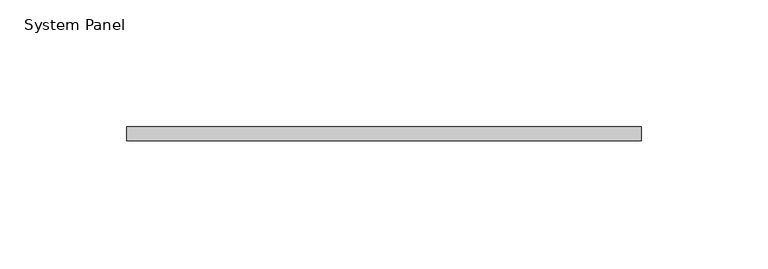
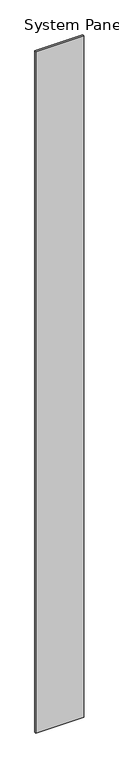
"""IFC4 building model written with IfcOpenShell, lengths in millimetres: plate geometry, System Panel."""

import ifcopenshell
import ifcopenshell.guid

model = None  # the IFC model being written
_history = None  # IfcOwnerHistory: only IFC2X3 demands one
_inside = {}  # id of a spatial element -> (the spatial element, [elements in it])
_under = {}  # id of a project, library or spatial element -> (it, [spatial elements below it])
_declared = {}  # id of a project -> (the project, [libraries it declares])
_typed = {}  # id of a type object -> (the type object, [elements of that type])
_made_of = {}  # id of a material, layer set ... -> (it, [elements and type objects made of it])


def new_model(schema):
    """Start an empty IFC model of exactly this schema.

    Asked for "IFC4X3", IfcOpenShell would pick the latest addendum, in which some entities
    have other attributes; the version numbers below select the first issue.
    IFC2X3 requires an IfcOwnerHistory on every rooted entity: one is made here for all.
    """
    global model, _history
    if schema == "IFC4X3":
        model = ifcopenshell.file(schema_version=(4, 3, 0, 0))
    else:
        model = ifcopenshell.file(schema=schema)
    _inside.clear()
    _under.clear()
    _declared.clear()
    _typed.clear()
    _made_of.clear()
    _history = None
    if model.schema == "IFC2X3":
        org = make("IfcOrganization", Name="unknown")
        user = make(
            "IfcPersonAndOrganization",
            ThePerson=make("IfcPerson", FamilyName="unknown"),
            TheOrganization=org,
        )
        app = make(
            "IfcApplication",
            ApplicationDeveloper=org,
            Version="unknown",
            ApplicationFullName="unknown",
            ApplicationIdentifier="unknown",
        )
        _history = make(
            "IfcOwnerHistory",
            OwningUser=user,
            OwningApplication=app,
            ChangeAction="ADDED",
            CreationDate=0,
        )
    return model


def make(cls, **values):
    """One entity of the class cls with the attributes given. An attribute that is None is left unset."""
    return model.create_entity(
        cls, **{name: value for name, value in values.items() if value is not None}
    )


def rooted(cls, **values):
    """An entity with a GlobalId (a new one), such as an element, a storey or a relation."""
    return make(cls, GlobalId=ifcopenshell.guid.new(), OwnerHistory=_history, **values)


def si_unit(unit_type, name, prefix=None):
    """IfcSIUnit, for example si_unit("LENGTHUNIT", "METRE", prefix="MILLI")."""
    return make("IfcSIUnit", UnitType=unit_type, Prefix=prefix, Name=name)


def assignment(units):
    """IfcUnitAssignment: the units of a project."""
    return None if units is None else make("IfcUnitAssignment", Units=units)


def point(xyz):
    """IfcCartesianPoint."""
    return None if xyz is None else make("IfcCartesianPoint", Coordinates=xyz)


def direction(xyz):
    """IfcDirection."""
    return None if xyz is None else make("IfcDirection", DirectionRatios=xyz)


def frame(location, z_axis=None, x_axis=None):
    """IfcAxis2Placement3D, a coordinate frame: its origin and axes. An axis left out is left unset."""
    return make(
        "IfcAxis2Placement3D",
        Location=point(location),
        Axis=direction(z_axis),
        RefDirection=direction(x_axis),
    )


def origin():
    """The frame at (0, 0, 0) with its axes left unset."""
    return frame((0.0, 0.0, 0.0))


def origin_with_axes():
    """The frame at (0, 0, 0) with the z axis (0, 0, 1) and the x axis (1, 0, 0) written out."""
    return frame((0.0, 0.0, 0.0), z_axis=(0.0, 0.0, 1.0), x_axis=(1.0, 0.0, 0.0))


def place(relative_to, where):
    """IfcLocalPlacement: puts the frame where relative to a parent placement (None: the world)."""
    return make(
        "IfcLocalPlacement", PlacementRelTo=relative_to, RelativePlacement=where
    )


def context(
    kind, dimensions, precision=None, world=None, true_north=None, identifier=None
):
    """IfcGeometricRepresentationContext, for example the 3D "Model" context."""
    return make(
        "IfcGeometricRepresentationContext",
        ContextIdentifier=identifier,
        ContextType=kind,
        CoordinateSpaceDimension=dimensions,
        Precision=precision,
        WorldCoordinateSystem=world,
        TrueNorth=true_north,
    )


def project(units=None, contexts=None):
    """IfcProject with its units and contexts."""
    return rooted(
        "IfcProject",
        Name="project",
        RepresentationContexts=contexts,
        UnitsInContext=assignment(units),
    )


def spatial(cls, under=None, at=None, **own):
    """A site, building, storey or space (cls), placed at a placement, below another one or the project."""
    s = rooted(cls, ObjectPlacement=at, **own)
    if under is not None:
        _under.setdefault(under.id(), (under, []))[1].append(s)
    return s


def polyline(points):
    """IfcPolyline through the points."""
    return make("IfcPolyline", Points=[point(p) for p in points])


def outline(outer, holes=None, kind="AREA"):
    """IfcArbitraryClosedProfileDef: a profile drawn as a closed curve; with holes, ...WithVoids."""
    if holes is None:
        return make("IfcArbitraryClosedProfileDef", ProfileType=kind, OuterCurve=outer)
    return make(
        "IfcArbitraryProfileDefWithVoids",
        ProfileType=kind,
        OuterCurve=outer,
        InnerCurves=holes,
    )


def extrude(swept, where, along, depth):
    """IfcExtrudedAreaSolid: the profile swept, set in the frame where, extruded along a direction by depth."""
    return make(
        "IfcExtrudedAreaSolid",
        SweptArea=swept,
        Position=where,
        ExtrudedDirection=direction(along),
        Depth=depth,
    )


def shape(context_of_items, identifier, shape_type, items):
    """IfcShapeRepresentation: the items that make up one representation, for example the "Body"."""
    return make(
        "IfcShapeRepresentation",
        ContextOfItems=context_of_items,
        RepresentationIdentifier=identifier,
        RepresentationType=shape_type,
        Items=items,
    )


def source(mapping_origin, context_of_items, identifier, shape_type, items):
    """IfcRepresentationMap: a shape defined once, which mapped items show again and again."""
    return make(
        "IfcRepresentationMap",
        MappingOrigin=mapping_origin,
        MappedRepresentation=shape(context_of_items, identifier, shape_type, items),
    )


def transform(
    local_origin,
    x_axis=None,
    y_axis=None,
    z_axis=None,
    scale=None,
    scale2=None,
    scale3=None,
    uniform=True,
):
    """IfcCartesianTransformationOperator3D, or its non-uniform kind. x_axis, y_axis, z_axis: its Axis1, 2, 3."""
    if uniform:
        return make(
            "IfcCartesianTransformationOperator3D",
            Axis1=direction(x_axis),
            Axis2=direction(y_axis),
            LocalOrigin=point(local_origin),
            Scale=scale,
            Axis3=direction(z_axis),
        )
    return make(
        "IfcCartesianTransformationOperator3DnonUniform",
        Axis1=direction(x_axis),
        Axis2=direction(y_axis),
        LocalOrigin=point(local_origin),
        Scale=scale,
        Axis3=direction(z_axis),
        Scale2=scale2,
        Scale3=scale3,
    )


def mapped(mapping_source, mapping_target):
    """IfcMappedItem: shows the shape of a source again, moved by a transform."""
    return make(
        "IfcMappedItem", MappingSource=mapping_source, MappingTarget=mapping_target
    )


def made_of(thing, what):
    """Note that an element or type object is made of a material, layer set ...; save() writes the relation."""
    if what is not None:
        _made_of.setdefault(what.id(), (what, []))[1].append(thing)
    return thing


def element(
    cls,
    number,
    at=None,
    inside=None,
    cuts=None,
    type_object=None,
    material=None,
    context=None,
    identifier="Body",
    shape_type=None,
    held_by="IfcProductDefinitionShape",
    body=None,
    shapes=None,
    **own,
):
    """One element of the class cls, such as IfcWall. Its Tag is "e" and its number.

    at: its placement. inside: the storey or other place that contains it. cuts: it is an
    opening in that element (IfcRelVoidsElement). A single representation is given by context,
    identifier, shape_type and body (its items); several are given by shapes. held_by: the class
    of the entity that holds the representations. save() writes the other relations.
    """
    e = rooted(cls, Tag="e%d" % number, ObjectPlacement=at, **own)
    if body is not None:
        shapes = [shape(context, identifier, shape_type, body)]
    if shapes is not None:
        e.Representation = make(held_by, Representations=shapes)
    if inside is not None:
        _inside.setdefault(inside.id(), (inside, []))[1].append(e)
    if cuts is not None:
        rooted(
            "IfcRelVoidsElement", RelatingBuildingElement=cuts, RelatedOpeningElement=e
        )
    if type_object is not None:
        _typed.setdefault(type_object.id(), (type_object, []))[1].append(e)
    return made_of(e, material)


def aggregate(whole, parts):
    """IfcRelAggregates: a whole, such as a stair, and the parts it consists of."""
    return rooted("IfcRelAggregates", RelatingObject=whole, RelatedObjects=parts)


def save(model, path):
    """Write the relations noted so far, then the file.

    IfcRelAggregates (storeys below a building ...), IfcRelContainedInSpatialStructure (elements
    in a storey), IfcRelDefinesByType, IfcRelAssociatesMaterial and IfcRelDeclares: one each for
    every whole, place, type object, material and project.
    """
    for whole, parts in _under.values():
        aggregate(whole, parts)
    for where, things in _inside.values():
        rooted(
            "IfcRelContainedInSpatialStructure",
            RelatedElements=things,
            RelatingStructure=where,
        )
    for kind, things in _typed.values():
        rooted("IfcRelDefinesByType", RelatedObjects=things, RelatingType=kind)
    for what, things in _made_of.values():
        rooted("IfcRelAssociatesMaterial", RelatedObjects=things, RelatingMaterial=what)
    for by, libraries in _declared.values():
        rooted("IfcRelDeclares", RelatingContext=by, RelatedDefinitions=libraries)
    model.write(path)


def system_panel_6df9abb3(model_context):
    return source(origin(), model_context, "Body", "SweptSolid", [
        extrude(outline(polyline([(101.6, -13.49375), (-101.6, -13.49375), (-101.6, -7.9375), (101.6, -7.9375), (101.6, -13.49375)])), origin_with_axes(), (0.0, 0.0, 1.0), 3048.0),
    ])


if __name__ == "__main__":
    model = new_model("IFC4")
    model_context = context("Model", 3, world=origin())
    ifc_project = project(units=[si_unit("LENGTHUNIT", "METRE", prefix="MILLI")], contexts=[model_context])
    site = spatial("IfcSite", under=ifc_project)
    building = spatial("IfcBuilding", under=site)
    placement = place(None, origin())
    system_panel_shape = system_panel_6df9abb3(model_context)
    element("IfcPlate", 1, ObjectType="System Panel", at=placement, inside=building, context=model_context, shape_type="MappedRepresentation", body=[
        mapped(system_panel_shape, transform((0.0, 0.0, 0.0), x_axis=(1.0, 0.0, 0.0), y_axis=(0.0, 1.0, 0.0), z_axis=(0.0, 0.0, 1.0))),
    ])
    save(model, "model.ifc")
